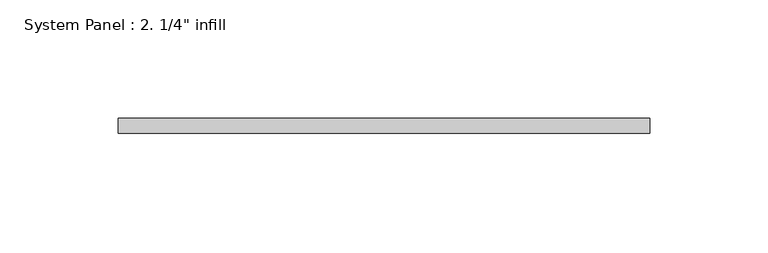
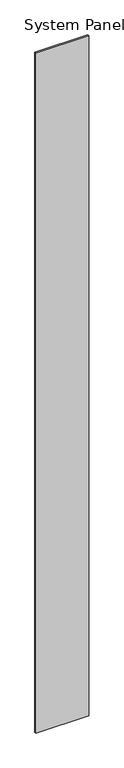
"""IFC4 building model written with IfcOpenShell, lengths in millimetres: plate geometry."""

from ifc_helpers import new_model, si_unit, origin, origin_with_axes, place, context, project, spatial, polyline, outline, extrude, source, transform, mapped, element, save


def plate_7f125d3c(model_context):
    return source(origin(), model_context, "Body", "SweptSolid", [
        extrude(outline(polyline([(112.5332631, 0.0), (-112.5332631, 0.0), (-112.5332631, 6.35), (112.5332631, 6.35), (112.5332631, 0.0)])), origin_with_axes(), (0.0, 0.0, 1.0), 3048.0),
    ])


if __name__ == "__main__":
    model = new_model("IFC4")
    model_context = context("Model", 3, world=origin())
    ifc_project = project(units=[si_unit("LENGTHUNIT", "METRE", prefix="MILLI")], contexts=[model_context])
    site = spatial("IfcSite", under=ifc_project)
    building = spatial("IfcBuilding", under=site)
    placement = place(None, origin())
    plate_shape = plate_7f125d3c(model_context)
    element("IfcPlate", 1, ObjectType="System Panel : 2. 1/4\" infill", at=placement, inside=building, context=model_context, shape_type="MappedRepresentation", body=[
        mapped(plate_shape, transform((0.0, 0.0, 0.0), x_axis=(1.0, 0.0, 0.0), y_axis=(0.0, 1.0, 0.0), z_axis=(0.0, 0.0, 1.0))),
    ])
    save(model, "model.ifc")
